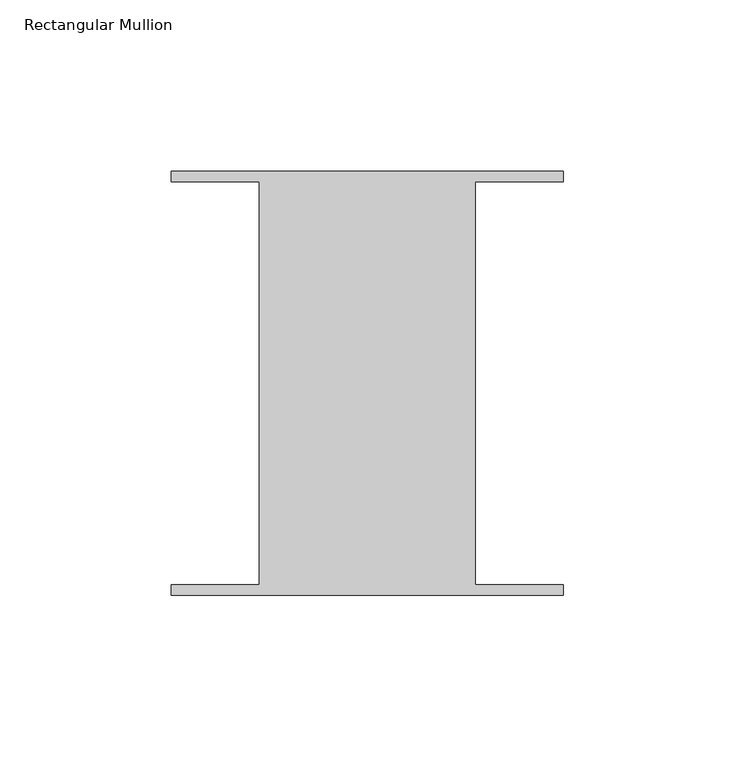
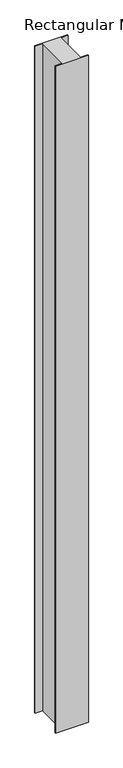
"""IFC4 building model written with IfcOpenShell, lengths in millimetres: member geometry, Rectangular Mullion."""

from ifc_helpers import new_model, si_unit, frame, origin, place, context, project, spatial, polyline, outline, extrude, source, transform, mapped, element, save


def rectangular_mullion_1cc8b64f(model_context):
    return source(origin(), model_context, "Body", "SweptSolid", [
        extrude(outline(polyline([(31.4523438, 58.6995588), (31.4523437, -58.7754412), (57.15, -58.7754413), (57.15, -61.8512225), (-57.15, -61.8512225), (-57.15, -58.7754413), (-31.4523438, -58.7754412), (-31.4523437, 58.6995588), (-57.15, 58.6995587), (-57.15, 61.77534), (57.15, 61.77534), (57.15, 58.6995587), (31.4523438, 58.6995588)])), frame((0.0, 0.0, -2438.4), z_axis=(0.0, 0.0, 1.0), x_axis=(1.0, 0.0, 0.0)), (0.0, 0.0, 1.0), 2438.4),
    ])


if __name__ == "__main__":
    model = new_model("IFC4")
    model_context = context("Model", 3, world=origin())
    ifc_project = project(units=[si_unit("LENGTHUNIT", "METRE", prefix="MILLI")], contexts=[model_context])
    site = spatial("IfcSite", under=ifc_project)
    building = spatial("IfcBuilding", under=site)
    placement = place(None, origin())
    rectangular_mullion_shape = rectangular_mullion_1cc8b64f(model_context)
    element("IfcMember", 1, ObjectType="Rectangular Mullion", at=placement, inside=building, context=model_context, shape_type="MappedRepresentation", body=[
        mapped(rectangular_mullion_shape, transform((0.0, 0.0, 0.0), x_axis=(1.0, 0.0, 0.0), y_axis=(0.0, 1.0, 0.0), z_axis=(0.0, 0.0, 1.0))),
    ])
    save(model, "model.ifc")
